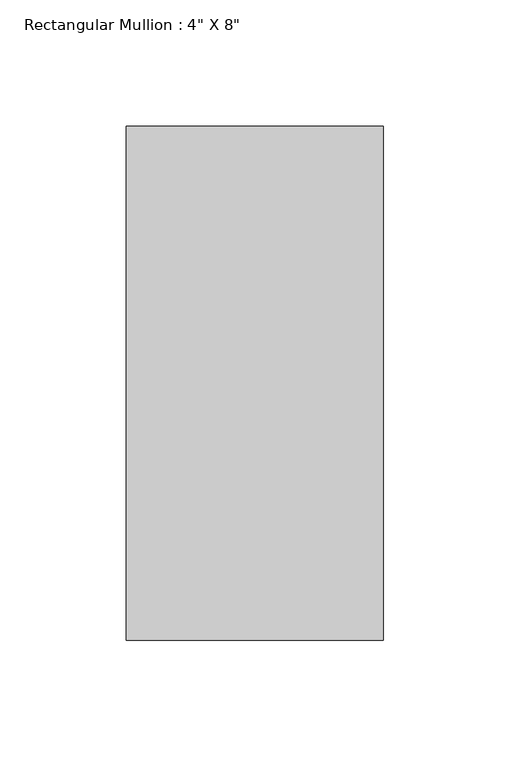
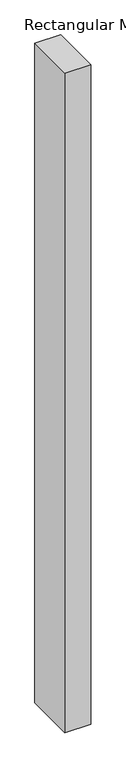
"""IFC4 building model written with IfcOpenShell, lengths in millimetres: member geometry."""

import ifcopenshell
import ifcopenshell.guid

model = None  # the IFC model being written
_history = None  # IfcOwnerHistory: only IFC2X3 demands one
_inside = {}  # id of a spatial element -> (the spatial element, [elements in it])
_under = {}  # id of a project, library or spatial element -> (it, [spatial elements below it])
_declared = {}  # id of a project -> (the project, [libraries it declares])
_typed = {}  # id of a type object -> (the type object, [elements of that type])
_made_of = {}  # id of a material, layer set ... -> (it, [elements and type objects made of it])


def new_model(schema):
    """Start an empty IFC model of exactly this schema.

    Asked for "IFC4X3", IfcOpenShell would pick the latest addendum, in which some entities
    have other attributes; the version numbers below select the first issue.
    IFC2X3 requires an IfcOwnerHistory on every rooted entity: one is made here for all.
    """
    global model, _history
    if schema == "IFC4X3":
        model = ifcopenshell.file(schema_version=(4, 3, 0, 0))
    else:
        model = ifcopenshell.file(schema=schema)
    _inside.clear()
    _under.clear()
    _declared.clear()
    _typed.clear()
    _made_of.clear()
    _history = None
    if model.schema == "IFC2X3":
        org = make("IfcOrganization", Name="unknown")
        user = make(
            "IfcPersonAndOrganization",
            ThePerson=make("IfcPerson", FamilyName="unknown"),
            TheOrganization=org,
        )
        app = make(
            "IfcApplication",
            ApplicationDeveloper=org,
            Version="unknown",
            ApplicationFullName="unknown",
            ApplicationIdentifier="unknown",
        )
        _history = make(
            "IfcOwnerHistory",
            OwningUser=user,
            OwningApplication=app,
            ChangeAction="ADDED",
            CreationDate=0,
        )
    return model


def make(cls, **values):
    """One entity of the class cls with the attributes given. An attribute that is None is left unset."""
    return model.create_entity(
        cls, **{name: value for name, value in values.items() if value is not None}
    )


def rooted(cls, **values):
    """An entity with a GlobalId (a new one), such as an element, a storey or a relation."""
    return make(cls, GlobalId=ifcopenshell.guid.new(), OwnerHistory=_history, **values)


def si_unit(unit_type, name, prefix=None):
    """IfcSIUnit, for example si_unit("LENGTHUNIT", "METRE", prefix="MILLI")."""
    return make("IfcSIUnit", UnitType=unit_type, Prefix=prefix, Name=name)


def assignment(units):
    """IfcUnitAssignment: the units of a project."""
    return None if units is None else make("IfcUnitAssignment", Units=units)


def point(xyz):
    """IfcCartesianPoint."""
    return None if xyz is None else make("IfcCartesianPoint", Coordinates=xyz)


def direction(xyz):
    """IfcDirection."""
    return None if xyz is None else make("IfcDirection", DirectionRatios=xyz)


def frame(location, z_axis=None, x_axis=None):
    """IfcAxis2Placement3D, a coordinate frame: its origin and axes. An axis left out is left unset."""
    return make(
        "IfcAxis2Placement3D",
        Location=point(location),
        Axis=direction(z_axis),
        RefDirection=direction(x_axis),
    )


def origin():
    """The frame at (0, 0, 0) with its axes left unset."""
    return frame((0.0, 0.0, 0.0))


def place(relative_to, where):
    """IfcLocalPlacement: puts the frame where relative to a parent placement (None: the world)."""
    return make(
        "IfcLocalPlacement", PlacementRelTo=relative_to, RelativePlacement=where
    )


def context(
    kind, dimensions, precision=None, world=None, true_north=None, identifier=None
):
    """IfcGeometricRepresentationContext, for example the 3D "Model" context."""
    return make(
        "IfcGeometricRepresentationContext",
        ContextIdentifier=identifier,
        ContextType=kind,
        CoordinateSpaceDimension=dimensions,
        Precision=precision,
        WorldCoordinateSystem=world,
        TrueNorth=true_north,
    )


def project(units=None, contexts=None):
    """IfcProject with its units and contexts."""
    return rooted(
        "IfcProject",
        Name="project",
        RepresentationContexts=contexts,
        UnitsInContext=assignment(units),
    )


def spatial(cls, under=None, at=None, **own):
    """A site, building, storey or space (cls), placed at a placement, below another one or the project."""
    s = rooted(cls, ObjectPlacement=at, **own)
    if under is not None:
        _under.setdefault(under.id(), (under, []))[1].append(s)
    return s


def polyline(points):
    """IfcPolyline through the points."""
    return make("IfcPolyline", Points=[point(p) for p in points])


def outline(outer, holes=None, kind="AREA"):
    """IfcArbitraryClosedProfileDef: a profile drawn as a closed curve; with holes, ...WithVoids."""
    if holes is None:
        return make("IfcArbitraryClosedProfileDef", ProfileType=kind, OuterCurve=outer)
    return make(
        "IfcArbitraryProfileDefWithVoids",
        ProfileType=kind,
        OuterCurve=outer,
        InnerCurves=holes,
    )


def extrude(swept, where, along, depth):
    """IfcExtrudedAreaSolid: the profile swept, set in the frame where, extruded along a direction by depth."""
    return make(
        "IfcExtrudedAreaSolid",
        SweptArea=swept,
        Position=where,
        ExtrudedDirection=direction(along),
        Depth=depth,
    )


def shape(context_of_items, identifier, shape_type, items):
    """IfcShapeRepresentation: the items that make up one representation, for example the "Body"."""
    return make(
        "IfcShapeRepresentation",
        ContextOfItems=context_of_items,
        RepresentationIdentifier=identifier,
        RepresentationType=shape_type,
        Items=items,
    )


def source(mapping_origin, context_of_items, identifier, shape_type, items):
    """IfcRepresentationMap: a shape defined once, which mapped items show again and again."""
    return make(
        "IfcRepresentationMap",
        MappingOrigin=mapping_origin,
        MappedRepresentation=shape(context_of_items, identifier, shape_type, items),
    )


def transform(
    local_origin,
    x_axis=None,
    y_axis=None,
    z_axis=None,
    scale=None,
    scale2=None,
    scale3=None,
    uniform=True,
):
    """IfcCartesianTransformationOperator3D, or its non-uniform kind. x_axis, y_axis, z_axis: its Axis1, 2, 3."""
    if uniform:
        return make(
            "IfcCartesianTransformationOperator3D",
            Axis1=direction(x_axis),
            Axis2=direction(y_axis),
            LocalOrigin=point(local_origin),
            Scale=scale,
            Axis3=direction(z_axis),
        )
    return make(
        "IfcCartesianTransformationOperator3DnonUniform",
        Axis1=direction(x_axis),
        Axis2=direction(y_axis),
        LocalOrigin=point(local_origin),
        Scale=scale,
        Axis3=direction(z_axis),
        Scale2=scale2,
        Scale3=scale3,
    )


def mapped(mapping_source, mapping_target):
    """IfcMappedItem: shows the shape of a source again, moved by a transform."""
    return make(
        "IfcMappedItem", MappingSource=mapping_source, MappingTarget=mapping_target
    )


def made_of(thing, what):
    """Note that an element or type object is made of a material, layer set ...; save() writes the relation."""
    if what is not None:
        _made_of.setdefault(what.id(), (what, []))[1].append(thing)
    return thing


def element(
    cls,
    number,
    at=None,
    inside=None,
    cuts=None,
    type_object=None,
    material=None,
    context=None,
    identifier="Body",
    shape_type=None,
    held_by="IfcProductDefinitionShape",
    body=None,
    shapes=None,
    **own,
):
    """One element of the class cls, such as IfcWall. Its Tag is "e" and its number.

    at: its placement. inside: the storey or other place that contains it. cuts: it is an
    opening in that element (IfcRelVoidsElement). A single representation is given by context,
    identifier, shape_type and body (its items); several are given by shapes. held_by: the class
    of the entity that holds the representations. save() writes the other relations.
    """
    e = rooted(cls, Tag="e%d" % number, ObjectPlacement=at, **own)
    if body is not None:
        shapes = [shape(context, identifier, shape_type, body)]
    if shapes is not None:
        e.Representation = make(held_by, Representations=shapes)
    if inside is not None:
        _inside.setdefault(inside.id(), (inside, []))[1].append(e)
    if cuts is not None:
        rooted(
            "IfcRelVoidsElement", RelatingBuildingElement=cuts, RelatedOpeningElement=e
        )
    if type_object is not None:
        _typed.setdefault(type_object.id(), (type_object, []))[1].append(e)
    return made_of(e, material)


def aggregate(whole, parts):
    """IfcRelAggregates: a whole, such as a stair, and the parts it consists of."""
    return rooted("IfcRelAggregates", RelatingObject=whole, RelatedObjects=parts)


def save(model, path):
    """Write the relations noted so far, then the file.

    IfcRelAggregates (storeys below a building ...), IfcRelContainedInSpatialStructure (elements
    in a storey), IfcRelDefinesByType, IfcRelAssociatesMaterial and IfcRelDeclares: one each for
    every whole, place, type object, material and project.
    """
    for whole, parts in _under.values():
        aggregate(whole, parts)
    for where, things in _inside.values():
        rooted(
            "IfcRelContainedInSpatialStructure",
            RelatedElements=things,
            RelatingStructure=where,
        )
    for kind, things in _typed.values():
        rooted("IfcRelDefinesByType", RelatedObjects=things, RelatingType=kind)
    for what, things in _made_of.values():
        rooted("IfcRelAssociatesMaterial", RelatedObjects=things, RelatingMaterial=what)
    for by, libraries in _declared.values():
        rooted("IfcRelDeclares", RelatingContext=by, RelatedDefinitions=libraries)
    model.write(path)


def member_8d78eedf(model_context):
    return source(origin(), model_context, "Body", "SweptSolid", [
        extrude(outline(polyline([(50.8, 63.5), (50.8, -139.7), (-50.8, -139.7), (-50.8, 63.5), (50.8, 63.5)])), frame((0.0, 0.0, -2743.2), z_axis=(0.0, 0.0, 1.0), x_axis=(1.0, 0.0, 0.0)), (0.0, 0.0, 1.0), 2743.2),
    ])


if __name__ == "__main__":
    model = new_model("IFC4")
    model_context = context("Model", 3, world=origin())
    ifc_project = project(units=[si_unit("LENGTHUNIT", "METRE", prefix="MILLI")], contexts=[model_context])
    site = spatial("IfcSite", under=ifc_project)
    building = spatial("IfcBuilding", under=site)
    placement = place(None, origin())
    member_shape = member_8d78eedf(model_context)
    element("IfcMember", 1, ObjectType="Rectangular Mullion : 4\" X 8\"", at=placement, inside=building, context=model_context, shape_type="MappedRepresentation", body=[
        mapped(member_shape, transform((0.0, 0.0, 0.0), x_axis=(1.0, 0.0, 0.0), y_axis=(0.0, 1.0, 0.0), z_axis=(0.0, 0.0, 1.0))),
    ])
    save(model, "model.ifc")
